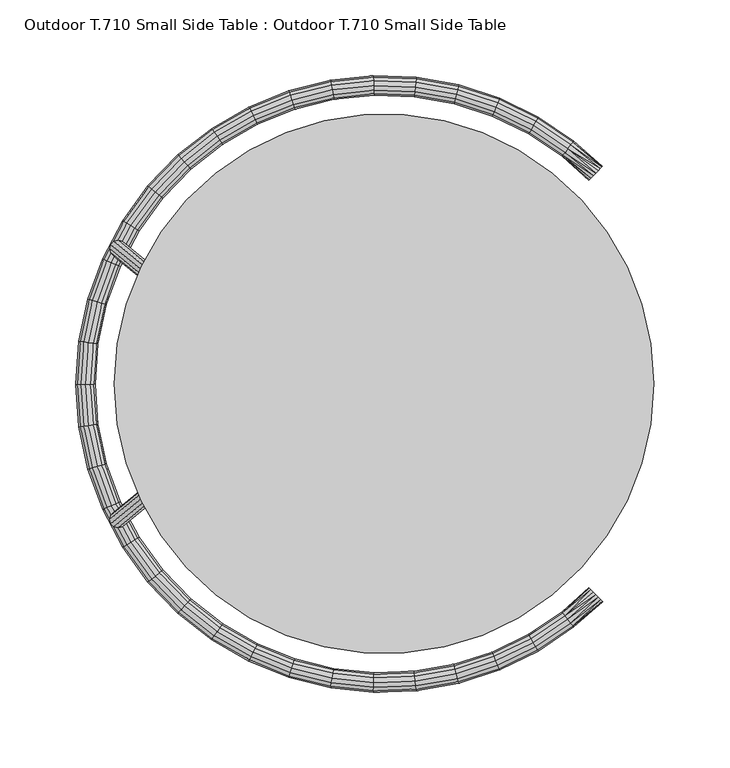
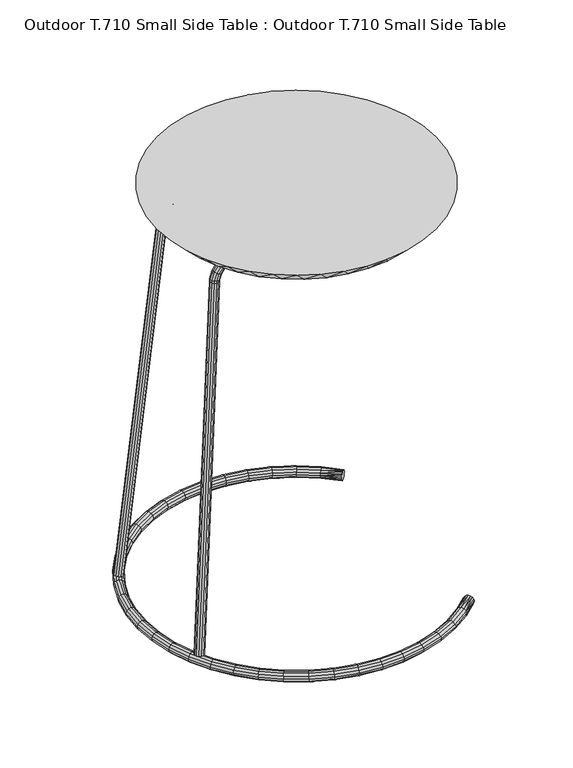
"""IFC4 building model written with IfcOpenShell, lengths in millimetres: furniture geometry, Outdoor T.710 Small Side Table : Outdoor T.710 Small Side Table."""

from ifc_helpers import new_model, si_unit, origin, place, context, project, spatial, triangles, source, transform, mapped, element, save


def outdoor_t_710_small_side_table_outdoor_t_710_small_side_4c19f61f(model_context):
    return source(origin(), model_context, "Body", "Tessellation", [
        triangles([(-172.6101944, -94.0462399, 13.6891354), (-135.7974796, -63.7731786, 485.2361884), (-175.3799382, -94.7752924, 13.9521769), (-138.5672052, -64.5022175, 485.4992537), (-178.1496637, -94.0185981, 14.1198265), (-141.3369489, -63.7455276, 485.6668671), (-180.1772289, -91.9789151, 14.1471743), (-143.3645413, -61.7058629, 485.694191), (-180.9193893, -89.2028037, 14.0268816), (-144.1066835, -58.9297378, 485.5739585), (-180.1772289, -86.4340864, 13.7911879), (-143.3645413, -56.1610206, 485.3382897), (-178.1496637, -84.4146512, 13.5032455), (-141.3369489, -54.1415944, 485.0503349), (-175.3799382, -83.6856169, 13.240229), (-138.5672052, -53.4125464, 484.7872696), (-172.6101944, -84.4423021, 13.0725794), (-135.7974796, -54.1692408, 484.6196563), (-170.5825929, -86.481976, 13.0452305), (-133.7698872, -56.2089101, 484.5922597), (-169.8404507, -89.2580965, 13.1655243), (-133.027754, -58.9850306, 484.7125648), (-170.5825929, -92.0268137, 13.4012169), (-133.7698872, -61.7537524, 484.9482699), (-138.258058, -64.3460361, 487.9319904), (-140.9939738, -63.5722597, 488.3657212), (-142.996804, -61.5200821, 488.5878734), (-143.7298988, -58.7393834, 488.5388938), (-142.996804, -55.9752488, 488.2318631), (-140.9939738, -53.9683265, 487.7491528), (-138.258058, -53.256365, 487.2200789), (-135.5221421, -54.0301368, 486.7863118), (-133.519312, -56.0823144, 486.564196), (-132.7862263, -58.8630132, 486.6131756), (-133.519312, -61.6271477, 486.9201699), (-135.5221421, -63.6340746, 487.4029166), (-113.2439507, -62.080454, 511.6029656), (-121.9312566, -63.099437, 507.3495552), (-113.2439507, -63.0013007, 508.878241), (-120.9810875, -62.5238226, 504.6966648), (-113.2439507, -62.4364188, 506.0581733), (-120.2854995, -60.616717, 502.6591802), (-113.2439507, -60.5371661, 503.898276), (-120.0309002, -57.8891082, 501.7831435), (-113.2439507, -57.8124459, 502.977402), (-120.2854995, -55.0718792, 502.3032063), (-113.2439507, -54.9923328, 503.5422658), (-120.9810875, -52.9198939, 504.0800963), (-113.2439507, -52.832481, 505.4415321), (-121.9312566, -52.009766, 506.637571), (-113.2439507, -51.9116252, 508.1662568), (-122.8814257, -52.5853804, 509.2905341), (-113.2439507, -52.4765071, 510.9863972), (-123.5770046, -54.4924951, 511.3279461), (-113.2439507, -54.3757644, 513.1462944), (-123.8316039, -57.2200947, 512.2040191), (-113.2439507, -57.100489, 514.0670594), (-123.5770046, -60.0373283, 511.68392), (-113.2439507, -59.9206021, 513.5021956), (-122.8814257, -62.1893181, 509.9071026), (-130.429139, -58.4481084, 493.0758988), (-131.0737945, -61.1966825, 493.6253566), (-126.4777451, -60.8457592, 499.0914474), (-127.7850054, -62.7754969, 500.7764462), (-125.9992586, -58.1098796, 498.3443999), (-131.0737945, -55.6518493, 493.2693463), (-126.4777451, -55.3009259, 498.7354371), (-132.8350605, -63.1610839, 494.7704175), (-135.240982, -63.8149593, 496.2043053), (-129.5707521, -63.3820188, 502.9479343), (-137.6469125, -62.9830969, 497.54285), (-131.3564898, -62.5028028, 505.0240794), (-139.4081695, -60.8883983, 498.4273164), (-132.663741, -60.3734406, 506.4484838), (-140.052834, -58.0921345, 498.6207275), (-133.1422365, -57.5644914, 506.8395573), (-139.4081695, -55.343565, 498.0713425), (-132.663741, -54.8286074, 506.0925098), (-137.6469125, -53.3791591, 496.9262452), (-131.3564898, -52.8988741, 504.4074746), (-135.240982, -52.7252882, 495.4923938), (-129.5707521, -52.2923523, 502.2360229), (-132.8350605, -53.5571461, 494.153849), (-127.7850054, -53.1715592, 500.1598778), (41.5598406, -62.4364188, 506.0581733), (41.5598406, -63.0013007, 508.878241), (41.5598406, -62.080454, 511.6029656), (41.5598406, -59.9206021, 513.5021956), (41.5598406, -57.100489, 514.0670594), (41.5598406, -54.3757644, 513.1462944), (41.5598406, -52.4765071, 510.9863972), (41.5598406, -51.9116252, 508.1662568), (41.5598406, -52.832481, 505.4415321), (41.5598406, -54.9923328, 503.5422658), (41.5598406, -57.8124459, 502.977402), (41.5598406, -60.5371661, 503.898276), (-178.1496637, 94.0185981, 14.1198265), (-141.3369489, 63.7455276, 485.6668671), (-175.3799382, 94.7752924, 13.9521769), (-138.5672052, 64.5022175, 485.4992537), (-172.6101944, 94.0462399, 13.6891354), (-135.7974796, 63.7731786, 485.2361884), (-170.5825929, 92.0268137, 13.4012169), (-133.7698872, 61.7537524, 484.9482699), (-169.8404507, 89.2580965, 13.1655243), (-133.027754, 58.9850306, 484.7125648), (-170.5825929, 86.481976, 13.0452305), (-133.7698872, 56.2089101, 484.5922597), (-172.6101944, 84.4423021, 13.0725794), (-135.7974796, 54.1692408, 484.6196563), (-175.3799382, 83.6856169, 13.240229), (-138.5672052, 53.4125464, 484.7872696), (-178.1496637, 84.4146512, 13.5032455), (-141.3369489, 54.1415944, 485.0503349), (-180.1772289, 86.4340864, 13.7911879), (-143.3645413, 56.1610206, 485.3382897), (-180.9193893, 89.2028037, 14.0268816), (-144.1066835, 58.9297378, 485.5739585), (-180.1772289, 91.9789151, 14.1471743), (-143.3645413, 61.7058629, 485.694191), (-138.258058, 64.3460361, 487.9319904), (-135.5221421, 63.6340746, 487.4029166), (-133.519312, 61.6271477, 486.9201699), (-132.7862263, 58.8630132, 486.6131756), (-133.519312, 56.0823144, 486.564196), (-135.5221421, 54.0301368, 486.7863118), (-138.258058, 53.256365, 487.2200789), (-140.9939738, 53.9683265, 487.7491528), (-142.996804, 55.9752488, 488.2318631), (-143.7298988, 58.7393834, 488.5388938), (-142.996804, 61.5200821, 488.5878734), (-140.9939738, 63.5722597, 488.3657212), (-113.2439507, 62.4364188, 506.0581733), (-121.9312566, 63.099437, 507.3495552), (-113.2439507, 63.0013007, 508.878241), (-122.8814257, 62.1893181, 509.9071026), (-113.2439507, 62.080454, 511.6029656), (-123.5770046, 60.0373283, 511.68392), (-113.2439507, 59.9206021, 513.5021956), (-123.8316039, 57.2200947, 512.2040191), (-113.2439507, 57.100489, 514.0670594), (-123.5770046, 54.4924951, 511.3279461), (-113.2439507, 54.3757644, 513.1462944), (-122.8814257, 52.5853804, 509.2905341), (-113.2439507, 52.4765071, 510.9863972), (-121.9312566, 52.009766, 506.637571), (-113.2439507, 51.9116252, 508.1662568), (-120.9810875, 52.9198939, 504.0800963), (-113.2439507, 52.832481, 505.4415321), (-120.2854995, 55.0718792, 502.3032063), (-113.2439507, 54.9923328, 503.5422658), (-120.0309002, 57.8891082, 501.7831435), (-113.2439507, 57.8124459, 502.977402), (-120.2854995, 60.616717, 502.6591802), (-113.2439507, 60.5371661, 503.898276), (-120.9810875, 62.5238226, 504.6966648), (-130.429139, 58.4481084, 493.0758988), (-131.0737945, 55.6518493, 493.2693463), (-126.4777451, 55.3009259, 498.7354371), (-127.7850054, 53.1715592, 500.1598778), (-125.9992586, 58.1098796, 498.3443999), (-131.0737945, 61.1966825, 493.6253566), (-126.4777451, 60.8457592, 499.0914474), (-132.8350605, 53.5571461, 494.153849), (-135.240982, 52.7252882, 495.4923938), (-129.5707521, 52.2923523, 502.2360229), (-137.6469125, 53.3791591, 496.9262452), (-131.3564898, 52.8988741, 504.4074746), (-139.4081695, 55.343565, 498.0713425), (-132.663741, 54.8286074, 506.0925098), (-140.052834, 58.0921345, 498.6207275), (-133.1422365, 57.5644914, 506.8395573), (-139.4081695, 60.8883983, 498.4273164), (-132.663741, 60.3734406, 506.4484838), (-137.6469125, 62.9830969, 497.54285), (-131.3564898, 62.5028028, 505.0240794), (-135.240982, 63.8149593, 496.2043053), (-129.5707521, 63.3820188, 502.9479343), (-132.8350605, 63.1610839, 494.7704175), (-127.7850054, 62.7754969, 500.7764462), (41.5598406, 62.080454, 511.6029656), (41.5598406, 63.0013007, 508.878241), (41.5598406, 62.4364188, 506.0581733), (41.5598406, 60.5371661, 503.898276), (41.5598406, 57.8124459, 502.977402), (41.5598406, 54.9923328, 503.5422658), (41.5598406, 52.832481, 505.4415321), (41.5598406, 51.9116252, 508.1662568), (41.5598406, 52.4765071, 510.9863972), (41.5598406, 54.3757644, 513.1462944), (41.5598406, 57.100489, 514.0670594), (41.5598406, 59.9206021, 513.5021956)], [[1, 2, 3], [3, 2, 4], [3, 4, 5], [5, 4, 6], [5, 6, 7], [7, 6, 8], [7, 8, 9], [9, 8, 10], [9, 10, 11], [11, 10, 12], [11, 12, 13], [13, 12, 14], [13, 14, 15], [15, 14, 16], [15, 16, 17], [17, 16, 18], [17, 18, 19], [19, 18, 20], [19, 20, 21], [21, 20, 22], [21, 22, 23], [23, 22, 24], [23, 24, 1], [1, 24, 2], [2, 25, 4], [4, 25, 26], [4, 26, 6], [6, 26, 27], [6, 27, 8], [8, 27, 28], [8, 28, 10], [10, 28, 29], [10, 29, 12], [12, 29, 30], [12, 30, 14], [14, 30, 31], [14, 31, 16], [16, 31, 32], [16, 32, 18], [18, 32, 33], [18, 33, 20], [20, 33, 34], [20, 34, 22], [22, 34, 35], [22, 35, 24], [24, 35, 36], [24, 36, 2], [2, 36, 25], [37, 38, 39], [39, 38, 40], [39, 40, 41], [41, 40, 42], [41, 42, 43], [43, 42, 44], [43, 44, 45], [45, 44, 46], [45, 46, 47], [47, 46, 48], [47, 48, 49], [49, 48, 50], [49, 50, 51], [51, 50, 52], [51, 52, 53], [53, 52, 54], [53, 54, 55], [55, 54, 56], [55, 56, 57], [57, 56, 58], [57, 58, 59], [59, 58, 60], [59, 60, 37], [37, 60, 38], [34, 61, 62], [62, 61, 63], [62, 63, 64], [64, 63, 40], [64, 40, 38], [61, 65, 63], [63, 65, 42], [63, 42, 40], [34, 33, 61], [61, 33, 66], [61, 66, 65], [65, 66, 67], [65, 67, 44], [44, 67, 46], [65, 44, 42], [35, 34, 62], [36, 35, 68], [68, 35, 62], [68, 62, 64], [25, 36, 69], [69, 36, 68], [69, 68, 70], [70, 68, 64], [70, 64, 38], [26, 25, 71], [71, 25, 69], [71, 69, 72], [72, 69, 70], [72, 70, 60], [60, 70, 38], [27, 26, 73], [73, 26, 71], [73, 71, 74], [74, 71, 72], [74, 72, 58], [58, 72, 60], [28, 27, 75], [75, 27, 73], [75, 73, 76], [76, 73, 74], [76, 74, 56], [56, 74, 58], [29, 28, 77], [77, 28, 75], [77, 75, 78], [78, 75, 76], [78, 76, 54], [54, 76, 56], [30, 29, 79], [79, 29, 77], [79, 77, 80], [80, 77, 78], [80, 78, 52], [52, 78, 54], [31, 30, 81], [81, 30, 79], [81, 79, 82], [82, 79, 80], [82, 80, 50], [50, 80, 52], [66, 33, 32], [32, 31, 83], [83, 31, 81], [83, 81, 84], [84, 81, 82], [84, 82, 48], [48, 82, 50], [84, 48, 46], [84, 46, 67], [67, 66, 83], [83, 66, 32], [67, 83, 84], [41, 85, 39], [39, 85, 86], [39, 86, 37], [37, 86, 87], [37, 87, 59], [59, 87, 88], [59, 88, 57], [57, 88, 89], [57, 89, 55], [55, 89, 90], [55, 90, 53], [53, 90, 91], [53, 91, 51], [51, 91, 92], [51, 92, 49], [49, 92, 93], [49, 93, 47], [47, 93, 94], [47, 94, 45], [45, 94, 95], [45, 95, 43], [43, 95, 96], [43, 96, 41], [41, 96, 85], [86, 85, 87], [87, 85, 88], [88, 85, 96], [88, 96, 89], [89, 96, 95], [89, 95, 90], [90, 95, 94], [90, 94, 91], [91, 94, 93], [91, 93, 92], [3, 5, 1], [1, 5, 23], [23, 5, 7], [23, 7, 21], [21, 7, 9], [21, 9, 19], [19, 9, 11], [19, 11, 17], [17, 11, 13], [17, 13, 15], [97, 98, 99], [99, 98, 100], [99, 100, 101], [101, 100, 102], [101, 102, 103], [103, 102, 104], [103, 104, 105], [105, 104, 106], [105, 106, 107], [107, 106, 108], [107, 108, 109], [109, 108, 110], [109, 110, 111], [111, 110, 112], [111, 112, 113], [113, 112, 114], [113, 114, 115], [115, 114, 116], [115, 116, 117], [117, 116, 118], [117, 118, 119], [119, 118, 120], [119, 120, 97], [97, 120, 98], [98, 121, 100], [100, 121, 122], [100, 122, 102], [102, 122, 123], [102, 123, 104], [104, 123, 124], [104, 124, 106], [106, 124, 125], [106, 125, 108], [108, 125, 126], [108, 126, 110], [110, 126, 127], [110, 127, 112], [112, 127, 128], [112, 128, 114], [114, 128, 129], [114, 129, 116], [116, 129, 130], [116, 130, 118], [118, 130, 131], [118, 131, 120], [120, 131, 132], [120, 132, 98], [98, 132, 121], [133, 134, 135], [135, 134, 136], [135, 136, 137], [137, 136, 138], [137, 138, 139], [139, 138, 140], [139, 140, 141], [141, 140, 142], [141, 142, 143], [143, 142, 144], [143, 144, 145], [145, 144, 146], [145, 146, 147], [147, 146, 148], [147, 148, 149], [149, 148, 150], [149, 150, 151], [151, 150, 152], [151, 152, 153], [153, 152, 154], [153, 154, 155], [155, 154, 156], [155, 156, 133], [133, 156, 134], [124, 157, 158], [158, 157, 159], [158, 159, 160], [160, 159, 148], [160, 148, 146], [157, 161, 159], [159, 161, 150], [159, 150, 148], [124, 123, 157], [157, 123, 162], [157, 162, 161], [161, 162, 163], [161, 163, 152], [152, 163, 154], [161, 152, 150], [125, 124, 158], [126, 125, 164], [164, 125, 158], [164, 158, 160], [127, 126, 165], [165, 126, 164], [165, 164, 166], [166, 164, 160], [166, 160, 146], [128, 127, 167], [167, 127, 165], [167, 165, 168], [168, 165, 166], [168, 166, 144], [144, 166, 146], [129, 128, 169], [169, 128, 167], [169, 167, 170], [170, 167, 168], [170, 168, 142], [142, 168, 144], [130, 129, 171], [171, 129, 169], [171, 169, 172], [172, 169, 170], [172, 170, 140], [140, 170, 142], [131, 130, 173], [173, 130, 171], [173, 171, 174], [174, 171, 172], [174, 172, 138], [138, 172, 140], [132, 131, 175], [175, 131, 173], [175, 173, 176], [176, 173, 174], [176, 174, 136], [136, 174, 138], [121, 132, 177], [177, 132, 175], [177, 175, 178], [178, 175, 176], [178, 176, 134], [134, 176, 136], [162, 123, 122], [122, 121, 179], [179, 121, 177], [179, 177, 180], [180, 177, 178], [180, 178, 156], [156, 178, 134], [180, 156, 154], [180, 154, 163], [163, 162, 179], [179, 162, 122], [163, 179, 180], [137, 181, 135], [135, 181, 182], [135, 182, 133], [133, 182, 183], [133, 183, 155], [155, 183, 184], [155, 184, 153], [153, 184, 185], [153, 185, 151], [151, 185, 186], [151, 186, 149], [149, 186, 187], [149, 187, 147], [147, 187, 188], [147, 188, 145], [145, 188, 189], [145, 189, 143], [143, 189, 190], [143, 190, 141], [141, 190, 191], [141, 191, 139], [139, 191, 192], [139, 192, 137], [137, 192, 181], [182, 181, 183], [183, 181, 184], [184, 181, 192], [184, 192, 185], [185, 192, 191], [185, 191, 186], [186, 191, 190], [186, 190, 187], [187, 190, 189], [187, 189, 188], [99, 101, 97], [97, 101, 119], [119, 101, 103], [119, 103, 117], [117, 103, 105], [117, 105, 115], [115, 105, 107], [115, 107, 113], [113, 107, 109], [113, 109, 111]]),
        triangles([(156.7955348, 24.833972, 514.35), (175.8141232, 26.4997156, 533.4), (158.7499939, 0.0, 514.35), (177.7999939, 0.0, 533.4), (175.8141232, -26.4997156, 533.4), (169.9008395, 52.4074706, 533.4), (150.9802193, 49.0564488, 514.35), (160.1922751, 77.1445372, 533.4), (141.4472983, 72.0710006, 514.35), (146.90525, 100.1583123, 533.4), (128.4314503, 93.3109105, 514.35), (130.3366211, 120.9347059, 533.4), (112.2532045, 112.2532045, 514.35), (110.8564874, 139.0096382, 533.4), (93.3109105, 128.4314503, 514.35), (88.899997, 153.9793186, 533.4), (72.0710006, 141.4472983, 514.35), (64.9576312, 165.5093561, 533.4), (49.0564488, 150.9802193, 514.35), (39.5642229, 173.342181, 533.4), (24.833972, 156.7955348, 514.35), (13.2870103, 177.3028404, 533.4), (0.0, 158.7499939, 514.35), (-13.2870103, 177.3028404, 533.4), (-24.833972, 156.7955348, 514.35), (-39.5642229, 173.342181, 533.4), (-49.0564488, 150.9802193, 514.35), (-64.9576312, 165.5093561, 533.4), (-72.0710006, 141.4472983, 514.35), (-88.899997, 153.9793186, 533.4), (-93.3109105, 128.4314503, 514.35), (-110.8564874, 139.0096382, 533.4), (-112.2532045, 112.2532045, 514.35), (-130.3366211, 120.9347059, 533.4), (-128.4314503, 93.3109105, 514.35), (-146.90525, 100.1583123, 533.4), (-141.4472983, 72.0710006, 514.35), (-160.1922751, 77.1445372, 533.4), (-150.9802193, 49.0564488, 514.35), (-169.9008395, 52.4074706, 533.4), (-156.7955348, 24.833972, 514.35), (-175.8141232, 26.4997156, 533.4), (-158.7499939, 0.0, 514.35), (-177.7999939, 0.0, 533.4), (-175.8141232, -26.4997156, 533.4), (-156.7955348, -24.833972, 514.35), (-169.9008395, -52.4074706, 533.4), (-150.9802193, -49.0564488, 514.35), (-160.1922751, -77.1445372, 533.4), (-141.4472983, -72.0710006, 514.35), (-146.90525, -100.1583123, 533.4), (-128.4314503, -93.3109105, 514.35), (-130.3366211, -120.9347059, 533.4), (-112.2532045, -112.2532045, 514.35), (-110.8564874, -139.0096382, 533.4), (-93.3109105, -128.4314503, 514.35), (-88.899997, -153.9793186, 533.4), (-72.0710006, -141.4472983, 514.35), (-64.9576312, -165.5093561, 533.4), (-49.0564488, -150.9802193, 514.35), (-39.5642229, -173.342181, 533.4), (-24.833972, -156.7955348, 514.35), (-13.2870103, -177.3028404, 533.4), (0.0, -158.7499939, 514.35), (13.2870103, -177.3028404, 533.4), (24.833972, -156.7955348, 514.35), (39.5642229, -173.342181, 533.4), (49.0564488, -150.9802193, 514.35), (64.9576312, -165.5093561, 533.4), (72.0710006, -141.4472983, 514.35), (88.899997, -153.9793186, 533.4), (93.3109105, -128.4314503, 514.35), (110.8564874, -139.0096382, 533.4), (112.2532045, -112.2532045, 514.35), (130.3366211, -120.9347059, 533.4), (128.4314503, -93.3109105, 514.35), (146.90525, -100.1583123, 533.4), (141.4472983, -72.0710006, 514.35), (160.1922751, -77.1445372, 533.4), (150.9802193, -49.0564488, 514.35), (169.9008395, -52.4074706, 533.4), (156.7955348, -24.833972, 514.35)], [[1, 2, 3], [3, 2, 4], [3, 4, 5], [2, 1, 6], [6, 1, 7], [6, 7, 8], [8, 7, 9], [8, 9, 10], [10, 9, 11], [10, 11, 12], [12, 11, 13], [12, 13, 14], [14, 13, 15], [14, 15, 16], [16, 15, 17], [16, 17, 18], [18, 17, 19], [18, 19, 20], [20, 19, 21], [20, 21, 22], [22, 21, 23], [22, 23, 24], [24, 23, 25], [24, 25, 26], [26, 25, 27], [26, 27, 28], [28, 27, 29], [28, 29, 30], [30, 29, 31], [30, 31, 32], [32, 31, 33], [32, 33, 34], [34, 33, 35], [34, 35, 36], [36, 35, 37], [36, 37, 38], [38, 37, 39], [38, 39, 40], [40, 39, 41], [40, 41, 42], [42, 41, 43], [42, 43, 44], [44, 43, 45], [45, 43, 46], [45, 46, 47], [47, 46, 48], [47, 48, 49], [49, 48, 50], [49, 50, 51], [51, 50, 52], [51, 52, 53], [53, 52, 54], [53, 54, 55], [55, 54, 56], [55, 56, 57], [57, 56, 58], [57, 58, 59], [59, 58, 60], [59, 60, 61], [61, 60, 62], [61, 62, 63], [63, 62, 64], [63, 64, 65], [65, 64, 66], [65, 66, 67], [67, 66, 68], [67, 68, 69], [69, 68, 70], [69, 70, 71], [71, 70, 72], [71, 72, 73], [73, 72, 74], [73, 74, 75], [75, 74, 76], [75, 76, 77], [77, 76, 78], [77, 78, 79], [79, 78, 80], [79, 80, 81], [81, 80, 82], [81, 82, 5], [5, 82, 3], [82, 46, 3], [3, 46, 43], [3, 43, 1], [1, 43, 41], [1, 41, 7], [7, 41, 39], [7, 39, 9], [9, 39, 37], [9, 37, 11], [11, 37, 35], [11, 35, 13], [13, 35, 33], [13, 33, 15], [15, 33, 31], [15, 31, 17], [17, 31, 29], [17, 29, 19], [19, 29, 27], [19, 27, 21], [21, 27, 25], [21, 25, 23], [46, 82, 48], [48, 82, 80], [48, 80, 50], [50, 80, 78], [50, 78, 52], [52, 78, 76], [52, 76, 54], [54, 76, 74], [54, 74, 56], [56, 74, 72], [56, 72, 58], [58, 72, 70], [58, 70, 60], [60, 70, 68], [60, 68, 62], [62, 68, 66], [62, 66, 64], [2, 42, 4], [4, 42, 44], [4, 44, 5], [5, 44, 45], [5, 45, 81], [81, 45, 47], [81, 47, 79], [79, 47, 49], [79, 49, 77], [77, 49, 51], [77, 51, 75], [75, 51, 53], [75, 53, 73], [73, 53, 55], [73, 55, 71], [71, 55, 57], [71, 57, 69], [69, 57, 59], [69, 59, 67], [67, 59, 61], [67, 61, 65], [65, 61, 63], [42, 2, 40], [40, 2, 6], [40, 6, 38], [38, 6, 8], [38, 8, 36], [36, 8, 10], [36, 10, 34], [34, 10, 12], [34, 12, 32], [32, 12, 14], [32, 14, 30], [30, 14, 16], [30, 16, 28], [28, 16, 18], [28, 18, 26], [26, 18, 20], [26, 20, 24], [24, 20, 22]]),
        triangles([(143.5954956, 143.088677, 8.7800401), (135.2854651, 134.8053708, 8.7800401), (143.9378439, 143.429908, 6.3500002), (134.943144, 134.4641308, 6.3500002), (135.2854651, 134.8053708, 3.9199605), (136.2603874, 135.7771502, 10.8401291), (142.6206096, 142.1168977, 10.8401291), (137.7194281, 137.2314855, 12.2166349), (141.1615599, 140.6625624, 12.2166349), (139.4404985, 138.9470148, 12.7000004), (143.5954956, 143.088677, 3.9199605), (136.2603874, 135.7771502, 1.859872), (142.6206096, 142.1168977, 1.859872), (137.7194281, 137.2314855, 0.4833651), (141.1615599, 140.6625624, 0.4833651), (139.4404985, 138.9470148, 0.0), (144.0083156, -143.3591638, 6.3500002), (143.6665215, -143.0173696, 3.9199577), (143.6665215, -143.0173696, 8.7800435), (142.6931797, -142.0440278, 10.8401314), (142.6931797, -142.0440278, 1.8598694), (141.2364826, -140.5873217, 12.2166371), (141.2364826, -140.5873217, 0.4833636), (139.5181827, -138.8690218, 12.7000004), (139.5181827, -138.8690218, 0.0), (137.7998737, -137.1507219, 12.216636), (137.7998737, -137.1507219, 0.483364), (136.3431767, -135.6940157, 10.8401314), (136.3431767, -135.6940157, 1.8598694), (135.3698168, -134.720674, 8.7800435), (135.3698168, -134.720674, 3.9199577), (135.0280226, -134.3788889, 6.3500002), (124.5786604, -159.453403, 9.525), (125.1024202, -160.1237836, 6.3500002), (124.5786604, -159.453403, 3.1750001), (101.1746293, -175.2396124, 3.1750001), (100.0124909, -173.2267266, 0.8507388), (74.9306916, -185.4599552, 0.8507388), (73.741302, -182.5161305, 0.0), (47.6223294, -191.0027128, 0.0), (46.8542213, -187.9220142, 0.8507388), (20.2445492, -192.6140243, 0.8507388), (20.0015975, -190.3025012, 3.1750001), (-6.6780444, -191.2341667, 3.1750001), (-6.6483542, -190.3839642, 6.3500002), (-33.079978, -187.6058816, 6.3500002), (-33.227707, -188.4436938, 9.525), (-59.130634, -181.9853671, 9.525), (-59.8488678, -184.1958608, 11.849262), (-84.901531, -174.0739314, 11.849262), (-86.293361, -176.927609, 12.7000004), (-110.07712, -163.1960525, 12.7000004), (-111.8525567, -165.828232, 11.849262), (-133.8428478, -148.6475401, 11.849262), (-135.3980854, -150.3748057, 9.525), (-155.0085072, -130.0675968, 9.525), (-155.6602116, -130.6144475, 6.3500002), (-172.323366, -107.679592, 6.3500002), (-171.6018984, -107.2287746, 3.1750001), (-184.8552319, -82.3028615, 3.1750001), (-182.731924, -81.3574977, 0.8507388), (-192.2763632, -55.1343663, 0.8507388), (-189.2243511, -54.2592108, 0.0), (-194.9342679, -27.396227, 0.0), (-191.7901647, -26.9543504, 0.8507388), (-193.6750061, 0.0, 0.8507388), (-191.3507293, 0.0, 3.1750001), (-189.4885247, 26.6308758, 3.1750001), (-188.6460616, 26.5124737, 6.3500002), (-183.1203451, 52.5089134, 6.3500002), (-183.9381186, 52.7434149, 9.525), (-174.8075894, 77.8293609, 9.525), (-176.9309155, 78.7747247, 11.849262), (-164.2457159, 102.6321075, 11.849262), (-166.9382659, 104.3146084, 12.7000004), (-150.7958374, 126.5327471, 12.7000004), (-153.22802, 128.5735928, 11.849262), (-133.8428478, 148.6475401, 11.849262), (-135.3980854, 150.3748057, 9.525), (-113.1522775, 167.7551492, 9.525), (-113.6279934, 168.4604296, 6.3500002), (-89.0770211, 182.6349459, 6.3500002), (-88.7040787, 181.8703124, 3.1750001), (-62.5293591, 192.4455753, 3.1750001), (-61.8111254, 190.2350816, 0.8507388), (-34.7339786, 196.9861775, 0.8507388), (-34.1826428, 193.8594061, 0.0), (-6.8699658, 196.7300885, 0.0), (-6.7591594, 193.5570263, 0.8507388), (20.2445492, 192.6140243, 0.8507388), (20.0015975, 190.3025012, 3.1750001), (46.2919373, 185.6668103, 3.1750001), (46.0861223, 184.8413338, 6.3500002), (71.3625545, 176.6285175, 6.3500002), (71.6812487, 177.4173138, 9.525), (95.6753647, 165.7146124, 9.525), (96.8374939, 167.727462, 11.849262), (119.2382433, 152.6179918, 11.849262), (121.1929659, 155.1199103, 12.7000004), (123.1476885, -157.621847, 11.849262), (101.1746293, -175.2396124, 9.525), (100.0124909, -173.2267266, 11.849262), (75.8013734, -187.6149653, 9.525), (74.9306916, -185.4599552, 11.849262), (48.9527169, -196.3386153, 9.525), (48.3904284, -194.0834114, 11.849262), (21.1512594, -201.2407688, 9.525), (20.9083054, -198.9292457, 11.849262), (-7.0618873, -202.2259921, 9.525), (-6.9807722, -199.9031506, 11.849262), (-35.1375809, -199.2751184, 9.525), (-34.7339786, -196.9861775, 11.849262), (-62.5293591, -192.4455753, 9.525), (-61.8111254, -190.2350816, 11.849262), (-88.7040787, -181.8703124, 9.525), (-87.685191, -179.7812684, 11.849262), (-113.1522775, -167.7551492, 9.525), (121.1929659, -155.1199103, 12.7000004), (98.424997, -170.4771124, 12.7000004), (73.741302, -182.5161305, 12.7000004), (47.6223294, -191.0027128, 12.7000004), (20.5764262, -195.7716441, 12.7000004), (-6.8699658, -196.7300885, 12.7000004), (-34.1826428, -193.8594061, 12.7000004), (-60.8299943, -187.2154803, 12.7000004), (119.2382433, -152.6179918, 11.849262), (96.8374939, -167.727462, 11.849262), (72.5519351, -179.5723422, 11.849262), (46.8542213, -187.9220142, 11.849262), (20.2445492, -192.6140243, 11.849262), (-6.7591594, -193.5570263, 11.849262), (-33.6313116, -190.7326348, 11.849262), (117.8072986, -150.7864357, 9.525), (117.2835116, -150.116046, 6.3500002), (117.8072986, -150.7864357, 3.1750001), (95.2499909, -164.9778478, 6.3500002), (95.6753647, -165.7146124, 3.1750001), (71.3625545, -176.6285175, 6.3500002), (71.6812487, -177.4173138, 3.1750001), (46.0861223, -184.8413338, 6.3500002), (46.2919373, -185.6668103, 3.1750001), (19.9126722, -189.4564227, 6.3500002), (119.2382433, -152.6179918, 0.8507388), (96.8374939, -167.727462, 0.8507388), (72.5519351, -179.5723422, 0.8507388), (121.1929659, -155.1199103, 0.0), (98.424997, -170.4771124, 0.0), (123.1476885, -157.621847, 0.8507388), (125.1024202, 160.1237836, 6.3500002), (124.5786604, 159.453403, 9.525), (123.1476885, 157.621847, 11.849262), (124.5786604, 159.453403, 3.1750001), (101.5999939, 175.9763589, 6.3500002), (101.1746293, 175.2396124, 3.1750001), (76.1200585, 188.4037617, 6.3500002), (75.8013734, 187.6149653, 3.1750001), (49.1585319, 197.1640918, 6.3500002), (48.9527169, 196.3386153, 3.1750001), (21.2401824, 202.0868473, 6.3500002), (21.1512594, 201.2407688, 3.1750001), (-7.0915775, 203.0762127, 6.3500002), (-7.0618873, 202.2259921, 3.1750001), (-35.2853099, 200.1129307, 6.3500002), (-35.1375809, 199.2751184, 3.1750001), (-62.7922564, 193.2546829, 6.3500002), (123.1476885, 157.621847, 0.8507388), (121.1929659, 155.1199103, 0.0), (119.2382433, 152.6179918, 0.8507388), (117.8072986, 150.7864357, 3.1750001), (117.2835116, 150.116046, 6.3500002), (117.8072986, 150.7864357, 9.525), (-190.5, 0.0, 6.3500002), (-188.6460616, -26.5124737, 6.3500002), (-189.4885247, -26.6308758, 3.1750001), (-183.9381186, -52.7434149, 3.1750001), (-186.1723572, -53.3840644, 0.8507388), (-176.9309155, -78.7747247, 0.8507388), (-179.8314106, -80.0661067, 0.0), (-166.9382659, -104.3146084, 0.0), (-169.6307978, -105.9971002, 0.8507388), (-153.22802, -128.5735928, 0.8507388), (-155.0085072, -130.0675968, 3.1750001), (-135.3980854, -150.3748057, 3.1750001), (-135.9673275, -151.0070254, 6.3500002), (-113.6279934, -168.4604296, 6.3500002), (-189.4885247, 26.6308758, 9.525), (-186.1723572, 53.3840644, 11.849262), (-179.8314106, 80.0661067, 12.7000004), (-169.6307978, 105.9971002, 11.849262), (-155.0085072, 130.0675968, 9.525), (-135.9673275, 151.0070254, 6.3500002), (-113.1522775, 167.7551492, 3.1750001), (-87.685191, 179.7812684, 0.8507388), (-60.8299943, 187.2154803, 0.0), (-33.6313116, 190.7326348, 0.8507388), (-6.6780444, 191.2341667, 3.1750001), (19.9126722, 189.4564227, 6.3500002), (46.2919373, 185.6668103, 9.525), (72.5519351, 179.5723422, 11.849262), (98.424997, 170.4771124, 12.7000004), (-191.3507293, 0.0, 9.525), (-189.4885247, -26.6308758, 9.525), (-183.1203451, -52.5089134, 6.3500002), (-183.9381186, -52.7434149, 9.525), (-174.0304203, -77.4833246, 6.3500002), (-174.8075894, -77.8293609, 9.525), (-161.5531477, -100.9496248, 6.3500002), (-162.2746153, -101.4004422, 9.525), (-145.9314541, -122.4510377, 6.3500002), (-146.5831585, -122.9978793, 9.525), (-127.4693724, -141.5690841, 6.3500002), (-128.0386327, -142.2013129, 9.525), (-106.5262467, -157.9316573, 6.3500002), (-107.0019716, -158.6369558, 9.525), (-83.509701, -171.220272, 6.3500002), (-83.8826433, -171.9849056, 9.525), (-58.8677367, -181.1762777, 6.3500002), (95.6753647, -165.7146124, 9.525), (71.6812487, -177.4173138, 9.525), (46.2919373, -185.6668103, 9.525), (20.0015975, -190.3025012, 9.525), (-6.6780444, -191.2341667, 9.525), (-33.227707, -188.4436938, 3.1750001), (-6.7591594, -193.5570263, 0.8507388), (20.5764262, -195.7716441, 0.0), (48.3904284, -194.0834114, 0.8507388), (75.8013734, -187.6149653, 3.1750001), (101.5999939, -175.9763589, 6.3500002), (-59.130634, -181.9853671, 3.1750001), (-33.6313116, -190.7326348, 0.8507388), (-6.8699658, -196.7300885, 0.0), (20.9083054, -198.9292457, 0.8507388), (48.9527169, -196.3386153, 3.1750001), (76.1200585, -188.4037617, 6.3500002), (-83.8826433, -171.9849056, 3.1750001), (-59.8488678, -184.1958608, 0.8507388), (-34.1826428, -193.8594061, 0.0), (-6.9807722, -199.9031506, 0.8507388), (21.1512594, -201.2407688, 3.1750001), (49.1585319, -197.1640918, 6.3500002), (-107.0019716, -158.6369558, 3.1750001), (-84.901531, -174.0739314, 0.8507388), (-60.8299943, -187.2154803, 0.0), (-34.7339786, -196.9861775, 0.8507388), (-7.0618873, -202.2259921, 3.1750001), (21.2401824, -202.0868473, 6.3500002), (-128.0386327, -142.2013129, 3.1750001), (-108.3016834, -160.5638549, 0.8507388), (-86.293361, -176.927609, 0.0), (-61.8111254, -190.2350816, 0.8507388), (-35.1375809, -199.2751184, 3.1750001), (-7.0915775, -203.0762127, 6.3500002), (-146.5831585, -122.9978793, 3.1750001), (-129.5938703, -143.9285694, 0.8507388), (-110.07712, -163.1960525, 0.0), (-87.685191, -179.7812684, 0.8507388), (-62.5293591, -192.4455753, 3.1750001), (-35.2853099, -200.1129307, 6.3500002), (-162.2746153, -101.4004422, 3.1750001), (-148.3636457, -124.4918924, 0.8507388), (-131.7183681, -146.2880548, 0.0), (-111.8525567, -165.828232, 0.8507388), (-88.7040787, -181.8703124, 3.1750001), (-62.7922564, -193.2546829, 6.3500002), (-174.8075894, -77.8293609, 3.1750001), (-164.2457159, -102.6321075, 0.8507388), (-150.7958374, -126.5327471, 0.0), (-133.8428478, -148.6475401, 0.8507388), (-113.1522775, -167.7551492, 3.1750001), (-89.0770211, -182.6349459, 6.3500002), (95.2499909, 164.9778478, 6.3500002), (95.6753647, 165.7146124, 3.1750001), (71.6812487, 177.4173138, 3.1750001), (72.5519351, 179.5723422, 0.8507388), (46.8542213, 187.9220142, 0.8507388), (47.6223294, 191.0027128, 0.0), (20.5764262, 195.7716441, 0.0), (20.9083054, 198.9292457, 0.8507388), (-6.9807722, 199.9031506, 0.8507388), (-6.6483542, 190.3839642, 6.3500002), (-33.227707, 188.4436938, 3.1750001), (-59.8488678, 184.1958608, 0.8507388), (-86.293361, 176.927609, 0.0), (-111.8525567, 165.828232, 0.8507388), (-135.3980854, 150.3748057, 3.1750001), (-155.6602116, 130.6144475, 6.3500002), (-171.6018984, 107.2287746, 9.525), (-182.731924, 81.3574977, 11.849262), (-189.2243511, 54.2592108, 12.7000004), (-191.7901647, 26.9543504, 11.849262), (-33.079978, 187.6058816, 6.3500002), (-59.130634, 181.9853671, 3.1750001), (-84.901531, 174.0739314, 0.8507388), (-110.07712, 163.1960525, 0.0), (-133.8428478, 148.6475401, 0.8507388), (-155.0085072, 130.0675968, 3.1750001), (-172.323366, 107.679592, 6.3500002), (-184.8552319, 82.3028615, 9.525), (-192.2763632, 55.1343663, 11.849262), (-194.9342679, 27.396227, 12.7000004), (-193.6750061, 0.0, 11.849262), (20.0015975, 190.3025012, 9.525), (46.8542213, 187.9220142, 11.849262), (73.741302, 182.5161305, 12.7000004), (100.0124909, 173.2267266, 11.849262), (-58.8677367, 181.1762777, 6.3500002), (-83.8826433, 171.9849056, 3.1750001), (-108.3016834, 160.5638549, 0.8507388), (-131.7183681, 146.2880548, 0.0), (-153.22802, 128.5735928, 0.8507388), (-171.6018984, 107.2287746, 3.1750001), (-185.6324192, 82.6488887, 6.3500002), (-194.5105837, 55.7750158, 9.525), (-198.078371, 27.8380991, 11.849262), (-196.8499939, 0.0, 12.7000004), (-191.7901647, -26.9543504, 11.849262), (-6.6780444, 191.2341667, 9.525), (20.2445492, 192.6140243, 11.849262), (47.6223294, 191.0027128, 12.7000004), (74.9306916, 185.4599552, 11.849262), (101.1746293, 175.2396124, 9.525), (-83.509701, 171.220272, 6.3500002), (-107.0019716, 158.6369558, 3.1750001), (-129.5938703, 143.9285694, 0.8507388), (-150.7958374, 126.5327471, 0.0), (-169.6307978, 105.9971002, 0.8507388), (-184.8552319, 82.3028615, 3.1750001), (-195.3283572, 56.0095127, 6.3500002), (-200.380011, 28.1615737, 9.525), (-200.025, 0.0, 11.849262), (-194.9342679, -27.396227, 12.7000004), (-186.1723572, -53.3840644, 11.849262), (-33.227707, 188.4436938, 9.525), (-6.7591594, 193.5570263, 11.849262), (20.5764262, 195.7716441, 12.7000004), (48.3904284, 194.0834114, 11.849262), (75.8013734, 187.6149653, 9.525), (-106.5262467, 157.9316573, 6.3500002), (-128.0386327, 142.2013129, 3.1750001), (-148.3636457, 124.4918924, 0.8507388), (-166.9382659, 104.3146084, 0.0), (-182.731924, 81.3574977, 0.8507388), (-194.5105837, 55.7750158, 3.1750001), (-201.222456, 28.2799758, 6.3500002), (-202.3492586, 0.0, 9.525), (-198.078371, -27.8380991, 11.849262), (-189.2243511, -54.2592108, 12.7000004), (-176.9309155, -78.7747247, 11.849262), (-59.130634, 181.9853671, 9.525), (-33.6313116, 190.7326348, 11.849262), (-6.8699658, 196.7300885, 12.7000004), (20.9083054, 198.9292457, 11.849262), (48.9527169, 196.3386153, 9.525), (-127.4693724, 141.5690841, 6.3500002), (-146.5831585, 122.9978793, 3.1750001), (-164.2457159, 102.6321075, 0.8507388), (-179.8314106, 80.0661067, 0.0), (-192.2763632, 55.1343663, 0.8507388), (-200.380011, 28.1615737, 3.1750001), (-203.2000061, 0.0, 6.3500002), (-200.380011, -28.1615737, 9.525), (-192.2763632, -55.1343663, 11.849262), (-179.8314106, -80.0661067, 12.7000004), (-164.2457159, -102.6321075, 11.849262), (-83.8826433, 171.9849056, 9.525), (-59.8488678, 184.1958608, 11.849262), (-34.1826428, 193.8594061, 12.7000004), (-6.9807722, 199.9031506, 11.849262), (21.1512594, 201.2407688, 9.525), (-145.9314541, 122.4510377, 6.3500002), (-162.2746153, 101.4004422, 3.1750001), (-176.9309155, 78.7747247, 0.8507388), (-189.2243511, 54.2592108, 0.0), (-198.078371, 27.8380991, 0.8507388), (-202.3492586, 0.0, 3.1750001), (-201.222456, -28.2799758, 6.3500002), (-194.5105837, -55.7750158, 9.525), (-182.731924, -81.3574977, 11.849262), (-166.9382659, -104.3146084, 12.7000004), (-148.3636457, -124.4918924, 11.849262), (-107.0019716, 158.6369558, 9.525), (-84.901531, 174.0739314, 11.849262), (-60.8299943, 187.2154803, 12.7000004), (-34.7339786, 196.9861775, 11.849262), (-7.0618873, 202.2259921, 9.525), (-161.5531477, 100.9496248, 6.3500002), (-174.8075894, 77.8293609, 3.1750001), (-186.1723572, 53.3840644, 0.8507388), (-194.9342679, 27.396227, 0.0), (-200.025, 0.0, 0.8507388), (-200.380011, -28.1615737, 3.1750001), (-195.3283572, -56.0095127, 6.3500002), (-184.8552319, -82.3028615, 9.525), (-169.6307978, -105.9971002, 11.849262), (-150.7958374, -126.5327471, 12.7000004), (-129.5938703, -143.9285694, 11.849262), (-128.0386327, 142.2013129, 9.525), (-108.3016834, 160.5638549, 11.849262), (-86.293361, 176.927609, 12.7000004), (-61.8111254, 190.2350816, 11.849262), (-35.1375809, 199.2751184, 9.525), (-174.0304203, 77.4833246, 6.3500002), (-183.9381186, 52.7434149, 3.1750001), (-191.7901647, 26.9543504, 0.8507388), (-196.8499939, 0.0, 0.0), (-198.078371, -27.8380991, 0.8507388), (-194.5105837, -55.7750158, 3.1750001), (-185.6324192, -82.6488887, 6.3500002), (-171.6018984, -107.2287746, 9.525), (-153.22802, -128.5735928, 11.849262), (-131.7183681, -146.2880548, 12.7000004), (-108.3016834, -160.5638549, 11.849262), (-146.5831585, 122.9978793, 9.525), (-129.5938703, 143.9285694, 11.849262), (-110.07712, 163.1960525, 12.7000004), (-87.685191, 179.7812684, 11.849262), (-62.5293591, 192.4455753, 9.525), (-162.2746153, 101.4004422, 9.525), (-148.3636457, 124.4918924, 11.849262), (-131.7183681, 146.2880548, 12.7000004), (-111.8525567, 165.828232, 11.849262), (-88.7040787, 181.8703124, 9.525), (96.8374939, 167.727462, 0.8507388), (98.424997, 170.4771124, 0.0), (73.741302, 182.5161305, 0.0), (100.0124909, 173.2267266, 0.8507388), (74.9306916, 185.4599552, 0.8507388), (48.3904284, 194.0834114, 0.8507388)], [[1, 2, 3], [3, 2, 4], [3, 4, 5], [2, 1, 6], [6, 1, 7], [6, 7, 8], [8, 7, 9], [8, 9, 10], [3, 5, 11], [11, 5, 12], [11, 12, 13], [13, 12, 14], [13, 14, 15], [15, 14, 16], [17, 18, 19], [19, 18, 20], [20, 18, 21], [20, 21, 22], [22, 21, 23], [22, 23, 24], [24, 23, 25], [24, 25, 26], [26, 25, 27], [26, 27, 28], [28, 27, 29], [28, 29, 30], [30, 29, 31], [30, 31, 32], [19, 33, 17], [17, 33, 34], [17, 34, 35], [35, 34, 36], [35, 36, 37], [37, 36, 38], [37, 38, 39], [39, 38, 40], [39, 40, 41], [41, 40, 42], [41, 42, 43], [43, 42, 44], [43, 44, 45], [45, 44, 46], [45, 46, 47], [47, 46, 48], [47, 48, 49], [49, 48, 50], [49, 50, 51], [51, 50, 52], [51, 52, 53], [53, 52, 54], [53, 54, 55], [55, 54, 56], [55, 56, 57], [57, 56, 58], [57, 58, 59], [59, 58, 60], [59, 60, 61], [61, 60, 62], [61, 62, 63], [63, 62, 64], [63, 64, 65], [65, 64, 66], [65, 66, 67], [67, 66, 68], [67, 68, 69], [69, 68, 70], [69, 70, 71], [71, 70, 72], [71, 72, 73], [73, 72, 74], [73, 74, 75], [75, 74, 76], [75, 76, 77], [77, 76, 78], [77, 78, 79], [79, 78, 80], [79, 80, 81], [81, 80, 82], [81, 82, 83], [83, 82, 84], [83, 84, 85], [85, 84, 86], [85, 86, 87], [87, 86, 88], [87, 88, 89], [89, 88, 90], [89, 90, 91], [91, 90, 92], [91, 92, 93], [93, 92, 94], [93, 94, 95], [95, 94, 96], [95, 96, 97], [97, 96, 98], [97, 98, 99], [99, 98, 10], [99, 10, 9], [19, 20, 33], [33, 20, 100], [33, 100, 101], [101, 100, 102], [101, 102, 103], [103, 102, 104], [103, 104, 105], [105, 104, 106], [105, 106, 107], [107, 106, 108], [107, 108, 109], [109, 108, 110], [109, 110, 111], [111, 110, 112], [111, 112, 113], [113, 112, 114], [113, 114, 115], [115, 114, 116], [115, 116, 117], [117, 116, 53], [117, 53, 55], [20, 22, 100], [100, 22, 118], [100, 118, 102], [102, 118, 119], [102, 119, 104], [104, 119, 120], [104, 120, 106], [106, 120, 121], [106, 121, 108], [108, 121, 122], [108, 122, 110], [110, 122, 123], [110, 123, 112], [112, 123, 124], [112, 124, 114], [114, 124, 125], [114, 125, 116], [116, 125, 51], [116, 51, 53], [22, 24, 118], [118, 24, 126], [118, 126, 119], [119, 126, 127], [119, 127, 120], [120, 127, 128], [120, 128, 121], [121, 128, 129], [121, 129, 122], [122, 129, 130], [122, 130, 123], [123, 130, 131], [123, 131, 124], [124, 131, 132], [124, 132, 125], [125, 132, 49], [125, 49, 51], [24, 26, 126], [126, 26, 28], [126, 28, 133], [133, 28, 30], [133, 30, 134], [134, 30, 32], [134, 32, 31], [31, 29, 134], [134, 29, 135], [134, 135, 136], [136, 135, 137], [136, 137, 138], [138, 137, 139], [138, 139, 140], [140, 139, 141], [140, 141, 142], [142, 141, 43], [142, 43, 45], [29, 27, 135], [135, 27, 143], [135, 143, 137], [137, 143, 144], [137, 144, 139], [139, 144, 145], [139, 145, 141], [141, 145, 41], [141, 41, 43], [27, 25, 143], [143, 25, 146], [143, 146, 144], [144, 146, 147], [144, 147, 145], [145, 147, 39], [145, 39, 41], [25, 23, 146], [146, 23, 21], [146, 21, 148], [148, 21, 18], [148, 18, 35], [35, 18, 17], [11, 149, 3], [3, 149, 150], [3, 150, 1], [1, 150, 151], [1, 151, 7], [7, 151, 99], [7, 99, 9], [11, 13, 149], [149, 13, 152], [149, 152, 153], [153, 152, 154], [153, 154, 155], [155, 154, 156], [155, 156, 157], [157, 156, 158], [157, 158, 159], [159, 158, 160], [159, 160, 161], [161, 160, 162], [161, 162, 163], [163, 162, 164], [163, 164, 165], [165, 164, 84], [165, 84, 82], [152, 13, 166], [166, 13, 15], [166, 15, 16], [166, 16, 167], [167, 16, 14], [167, 14, 12], [167, 12, 168], [168, 12, 5], [168, 5, 169], [169, 5, 4], [169, 4, 170], [170, 4, 2], [170, 2, 6], [170, 6, 171], [171, 6, 8], [171, 8, 98], [98, 8, 10], [172, 173, 174], [174, 173, 175], [174, 175, 176], [176, 175, 177], [176, 177, 178], [178, 177, 179], [178, 179, 180], [180, 179, 181], [180, 181, 182], [182, 181, 183], [182, 183, 184], [184, 183, 185], [184, 185, 117], [117, 185, 115], [172, 69, 186], [186, 69, 71], [186, 71, 187], [187, 71, 73], [187, 73, 188], [188, 73, 75], [188, 75, 189], [189, 75, 77], [189, 77, 190], [190, 77, 79], [190, 79, 191], [191, 79, 81], [191, 81, 192], [192, 81, 83], [192, 83, 193], [193, 83, 85], [193, 85, 194], [194, 85, 87], [194, 87, 195], [195, 87, 89], [195, 89, 196], [196, 89, 91], [196, 91, 197], [197, 91, 93], [197, 93, 198], [198, 93, 95], [198, 95, 199], [199, 95, 97], [199, 97, 200], [200, 97, 99], [200, 99, 151], [69, 172, 67], [67, 172, 174], [67, 174, 65], [65, 174, 176], [65, 176, 63], [63, 176, 178], [63, 178, 61], [61, 178, 180], [61, 180, 59], [59, 180, 182], [59, 182, 57], [57, 182, 184], [57, 184, 55], [55, 184, 117], [172, 201, 173], [173, 201, 202], [173, 202, 203], [203, 202, 204], [203, 204, 205], [205, 204, 206], [205, 206, 207], [207, 206, 208], [207, 208, 209], [209, 208, 210], [209, 210, 211], [211, 210, 212], [211, 212, 213], [213, 212, 214], [213, 214, 215], [215, 214, 216], [215, 216, 217], [217, 216, 48], [217, 48, 46], [134, 136, 218], [218, 136, 219], [218, 219, 128], [128, 219, 129], [136, 138, 219], [219, 138, 220], [219, 220, 129], [129, 220, 130], [138, 140, 220], [220, 140, 221], [220, 221, 130], [130, 221, 131], [140, 142, 221], [221, 142, 222], [221, 222, 131], [131, 222, 132], [142, 45, 222], [222, 45, 47], [222, 47, 132], [132, 47, 49], [217, 46, 223], [223, 46, 44], [223, 44, 224], [224, 44, 42], [224, 42, 225], [225, 42, 40], [225, 40, 226], [226, 40, 38], [226, 38, 227], [227, 38, 36], [227, 36, 228], [228, 36, 34], [228, 34, 33], [215, 217, 229], [229, 217, 223], [229, 223, 230], [230, 223, 224], [230, 224, 231], [231, 224, 225], [231, 225, 232], [232, 225, 226], [232, 226, 233], [233, 226, 227], [233, 227, 234], [234, 227, 228], [234, 228, 101], [101, 228, 33], [213, 215, 235], [235, 215, 229], [235, 229, 236], [236, 229, 230], [236, 230, 237], [237, 230, 231], [237, 231, 238], [238, 231, 232], [238, 232, 239], [239, 232, 233], [239, 233, 240], [240, 233, 234], [240, 234, 103], [103, 234, 101], [211, 213, 241], [241, 213, 235], [241, 235, 242], [242, 235, 236], [242, 236, 243], [243, 236, 237], [243, 237, 244], [244, 237, 238], [244, 238, 245], [245, 238, 239], [245, 239, 246], [246, 239, 240], [246, 240, 105], [105, 240, 103], [209, 211, 247], [247, 211, 241], [247, 241, 248], [248, 241, 242], [248, 242, 249], [249, 242, 243], [249, 243, 250], [250, 243, 244], [250, 244, 251], [251, 244, 245], [251, 245, 252], [252, 245, 246], [252, 246, 107], [107, 246, 105], [207, 209, 253], [253, 209, 247], [253, 247, 254], [254, 247, 248], [254, 248, 255], [255, 248, 249], [255, 249, 256], [256, 249, 250], [256, 250, 257], [257, 250, 251], [257, 251, 258], [258, 251, 252], [258, 252, 109], [109, 252, 107], [205, 207, 259], [259, 207, 253], [259, 253, 260], [260, 253, 254], [260, 254, 261], [261, 254, 255], [261, 255, 262], [262, 255, 256], [262, 256, 263], [263, 256, 257], [263, 257, 264], [264, 257, 258], [264, 258, 111], [111, 258, 109], [175, 173, 203], [203, 205, 265], [265, 205, 259], [265, 259, 266], [266, 259, 260], [266, 260, 267], [267, 260, 261], [267, 261, 268], [268, 261, 262], [268, 262, 269], [269, 262, 263], [269, 263, 270], [270, 263, 264], [270, 264, 113], [113, 264, 111], [170, 271, 272], [272, 271, 273], [272, 273, 274], [274, 273, 275], [274, 275, 276], [276, 275, 277], [276, 277, 278], [278, 277, 279], [278, 279, 162], [162, 279, 164], [271, 94, 273], [273, 94, 92], [273, 92, 275], [275, 92, 90], [275, 90, 277], [277, 90, 88], [277, 88, 279], [279, 88, 86], [279, 86, 164], [164, 86, 84], [170, 171, 271], [271, 171, 96], [271, 96, 94], [197, 280, 196], [196, 280, 281], [196, 281, 195], [195, 281, 282], [195, 282, 194], [194, 282, 283], [194, 283, 193], [193, 283, 284], [193, 284, 192], [192, 284, 285], [192, 285, 191], [191, 285, 286], [191, 286, 190], [190, 286, 287], [190, 287, 189], [189, 287, 288], [189, 288, 188], [188, 288, 289], [188, 289, 187], [187, 289, 290], [187, 290, 186], [186, 290, 201], [186, 201, 172], [280, 291, 281], [281, 291, 292], [281, 292, 282], [282, 292, 293], [282, 293, 283], [283, 293, 294], [283, 294, 284], [284, 294, 295], [284, 295, 285], [285, 295, 296], [285, 296, 286], [286, 296, 297], [286, 297, 287], [287, 297, 298], [287, 298, 288], [288, 298, 299], [288, 299, 289], [289, 299, 300], [289, 300, 290], [290, 300, 301], [290, 301, 201], [201, 301, 202], [280, 197, 302], [302, 197, 198], [302, 198, 303], [303, 198, 199], [303, 199, 304], [304, 199, 200], [304, 200, 305], [305, 200, 151], [305, 151, 150], [291, 306, 292], [292, 306, 307], [292, 307, 293], [293, 307, 308], [293, 308, 294], [294, 308, 309], [294, 309, 295], [295, 309, 310], [295, 310, 296], [296, 310, 311], [296, 311, 297], [297, 311, 312], [297, 312, 298], [298, 312, 313], [298, 313, 299], [299, 313, 314], [299, 314, 300], [300, 314, 315], [300, 315, 301], [301, 315, 316], [301, 316, 202], [202, 316, 204], [291, 280, 317], [317, 280, 302], [317, 302, 318], [318, 302, 303], [318, 303, 319], [319, 303, 304], [319, 304, 320], [320, 304, 305], [320, 305, 321], [321, 305, 150], [321, 150, 149], [306, 322, 307], [307, 322, 323], [307, 323, 308], [308, 323, 324], [308, 324, 309], [309, 324, 325], [309, 325, 310], [310, 325, 326], [310, 326, 311], [311, 326, 327], [311, 327, 312], [312, 327, 328], [312, 328, 313], [313, 328, 329], [313, 329, 314], [314, 329, 330], [314, 330, 315], [315, 330, 331], [315, 331, 316], [316, 331, 332], [316, 332, 204], [204, 332, 206], [306, 291, 333], [333, 291, 317], [333, 317, 334], [334, 317, 318], [334, 318, 335], [335, 318, 319], [335, 319, 336], [336, 319, 320], [336, 320, 337], [337, 320, 321], [337, 321, 153], [153, 321, 149], [322, 338, 323], [323, 338, 339], [323, 339, 324], [324, 339, 340], [324, 340, 325], [325, 340, 341], [325, 341, 326], [326, 341, 342], [326, 342, 327], [327, 342, 343], [327, 343, 328], [328, 343, 344], [328, 344, 329], [329, 344, 345], [329, 345, 330], [330, 345, 346], [330, 346, 331], [331, 346, 347], [331, 347, 332], [332, 347, 348], [332, 348, 206], [206, 348, 208], [322, 306, 349], [349, 306, 333], [349, 333, 350], [350, 333, 334], [350, 334, 351], [351, 334, 335], [351, 335, 352], [352, 335, 336], [352, 336, 353], [353, 336, 337], [353, 337, 155], [155, 337, 153], [338, 354, 339], [339, 354, 355], [339, 355, 340], [340, 355, 356], [340, 356, 341], [341, 356, 357], [341, 357, 342], [342, 357, 358], [342, 358, 343], [343, 358, 359], [343, 359, 344], [344, 359, 360], [344, 360, 345], [345, 360, 361], [345, 361, 346], [346, 361, 362], [346, 362, 347], [347, 362, 363], [347, 363, 348], [348, 363, 364], [348, 364, 208], [208, 364, 210], [338, 322, 365], [365, 322, 349], [365, 349, 366], [366, 349, 350], [366, 350, 367], [367, 350, 351], [367, 351, 368], [368, 351, 352], [368, 352, 369], [369, 352, 353], [369, 353, 157], [157, 353, 155], [354, 370, 355], [355, 370, 371], [355, 371, 356], [356, 371, 372], [356, 372, 357], [357, 372, 373], [357, 373, 358], [358, 373, 374], [358, 374, 359], [359, 374, 375], [359, 375, 360], [360, 375, 376], [360, 376, 361], [361, 376, 377], [361, 377, 362], [362, 377, 378], [362, 378, 363], [363, 378, 379], [363, 379, 364], [364, 379, 380], [364, 380, 210], [210, 380, 212], [354, 338, 381], [381, 338, 365], [381, 365, 382], [382, 365, 366], [382, 366, 383], [383, 366, 367], [383, 367, 384], [384, 367, 368], [384, 368, 385], [385, 368, 369], [385, 369, 159], [159, 369, 157], [370, 386, 371], [371, 386, 387], [371, 387, 372], [372, 387, 388], [372, 388, 373], [373, 388, 389], [373, 389, 374], [374, 389, 390], [374, 390, 375], [375, 390, 391], [375, 391, 376], [376, 391, 392], [376, 392, 377], [377, 392, 393], [377, 393, 378], [378, 393, 394], [378, 394, 379], [379, 394, 395], [379, 395, 380], [380, 395, 396], [380, 396, 212], [212, 396, 214], [370, 354, 397], [397, 354, 381], [397, 381, 398], [398, 381, 382], [398, 382, 399], [399, 382, 383], [399, 383, 400], [400, 383, 384], [400, 384, 401], [401, 384, 385], [401, 385, 161], [161, 385, 159], [386, 402, 387], [387, 402, 403], [387, 403, 388], [388, 403, 404], [388, 404, 389], [389, 404, 405], [389, 405, 390], [390, 405, 406], [390, 406, 391], [391, 406, 407], [391, 407, 392], [392, 407, 408], [392, 408, 393], [393, 408, 409], [393, 409, 394], [394, 409, 410], [394, 410, 395], [395, 410, 411], [395, 411, 396], [396, 411, 412], [396, 412, 214], [214, 412, 216], [386, 370, 413], [413, 370, 397], [413, 397, 414], [414, 397, 398], [414, 398, 415], [415, 398, 399], [415, 399, 416], [416, 399, 400], [416, 400, 417], [417, 400, 401], [417, 401, 163], [163, 401, 161], [402, 70, 403], [403, 70, 68], [403, 68, 404], [404, 68, 66], [404, 66, 405], [405, 66, 64], [405, 64, 406], [406, 64, 62], [406, 62, 407], [407, 62, 60], [407, 60, 408], [408, 60, 58], [408, 58, 409], [409, 58, 56], [409, 56, 410], [410, 56, 54], [410, 54, 411], [411, 54, 52], [411, 52, 412], [412, 52, 50], [412, 50, 216], [216, 50, 48], [402, 386, 418], [418, 386, 413], [418, 413, 419], [419, 413, 414], [419, 414, 420], [420, 414, 415], [420, 415, 421], [421, 415, 416], [421, 416, 422], [422, 416, 417], [422, 417, 165], [165, 417, 163], [70, 402, 72], [72, 402, 418], [72, 418, 74], [74, 418, 419], [74, 419, 76], [76, 419, 420], [76, 420, 78], [78, 420, 421], [78, 421, 80], [80, 421, 422], [80, 422, 82], [82, 422, 165], [175, 203, 265], [133, 134, 218], [169, 170, 272], [127, 126, 133], [127, 133, 218], [147, 146, 148], [147, 148, 37], [37, 148, 35], [168, 169, 423], [423, 169, 272], [423, 272, 274], [167, 168, 424], [424, 168, 423], [424, 423, 425], [425, 423, 274], [425, 274, 276], [154, 152, 166], [166, 167, 426], [426, 167, 424], [426, 424, 427], [427, 424, 425], [427, 425, 428], [428, 425, 276], [428, 276, 278], [96, 171, 98], [128, 127, 218], [39, 147, 37], [270, 113, 115], [269, 270, 185], [185, 270, 115], [268, 269, 183], [183, 269, 185], [267, 268, 181], [181, 268, 183], [266, 267, 179], [179, 267, 181], [265, 266, 177], [177, 266, 179], [175, 265, 177], [156, 154, 426], [426, 154, 166], [156, 426, 427], [158, 156, 427], [158, 427, 428], [160, 158, 428], [160, 428, 278], [162, 160, 278]]),
    ])


if __name__ == "__main__":
    model = new_model("IFC4")
    model_context = context("Model", 3, world=origin())
    ifc_project = project(units=[si_unit("LENGTHUNIT", "METRE", prefix="MILLI")], contexts=[model_context])
    site = spatial("IfcSite", under=ifc_project)
    building = spatial("IfcBuilding", under=site)
    placement = place(None, origin())
    outdoor_t_710_small_side_table_outdoor_t_710_small_side_shape = outdoor_t_710_small_side_table_outdoor_t_710_small_side_4c19f61f(model_context)
    element("IfcFurniture", 1, ObjectType="Outdoor T.710 Small Side Table : Outdoor T.710 Small Side Table", at=placement, inside=building, context=model_context, shape_type="MappedRepresentation", body=[
        mapped(outdoor_t_710_small_side_table_outdoor_t_710_small_side_shape, transform((0.0, 0.0, 0.0), x_axis=(1.0, 0.0, 0.0), y_axis=(0.0, 1.0, 0.0), z_axis=(0.0, 0.0, 1.0))),
    ])
    save(model, "model.ifc")
